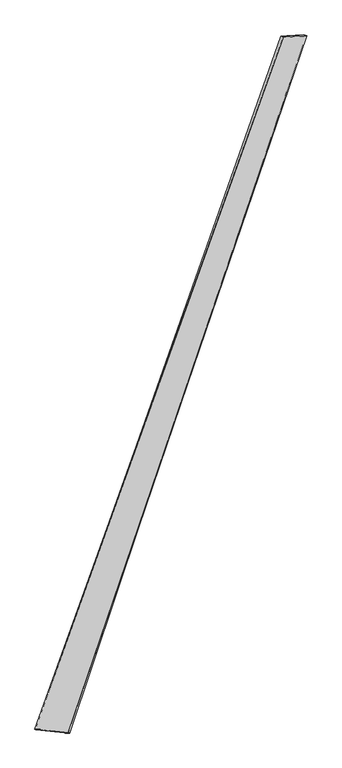
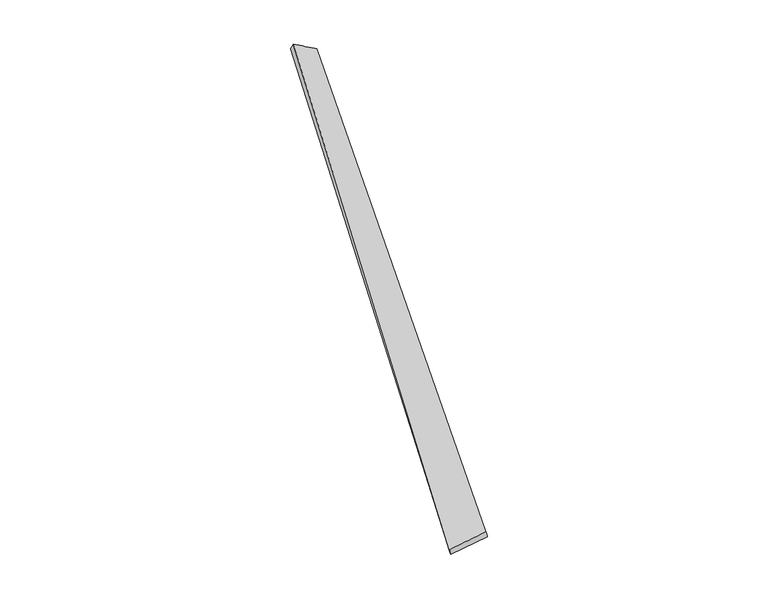
"""IFC4 building model written with IfcOpenShell, lengths in millimetres: proxy geometry."""

from ifc_helpers import new_model, si_unit, origin, place, context, project, spatial, source, transform, mapped, element, save
from ifc_brep_helpers import spline_surface, advanced_brep


def generic_models_9c3963b9(model_context):
    return source(origin(), model_context, "Body", "AdvancedBrep", [
        advanced_brep(
        [(-711.5201867, -1802.5178063, -24.5590343), (-719.1095992, -1800.2876968, 4.3793041), (712.8919816, 2183.7730938, 64.8852086), (700.2569234, 2188.6627625, 38.1186914), (-526.0666023, -1819.7894739, 53.5290939), (848.3238779, 2190.7701207, -14.1987738), (-519.5491756, -1822.4314866, 24.365025), (830.8124388, 2196.2865305, -37.9246821)],
        [
            (0, 1),
            (1, 2),
            (2, 3),
            (3, 0),
            (1, 4),
            (4, 5),
            (5, 2),
            (4, 6),
            (6, 7),
            (7, 5),
            (6, 0),
            (3, 7),
        ],
        [
            spline_surface(1, 1, [[(-711.5201867, -1802.5178063, -24.5590343), (700.2569234, 2188.6627625, 38.1186914)], [(-719.1095992, -1800.2876968, 4.3793041), (712.8919816, 2183.7730938, 64.8852086)]], [2, 2], [2, 2], [0.0, 1.0], [0.0, 1.0]),
            spline_surface(1, 1, [[(-719.1095992, -1800.2876968, 4.3793041), (712.8919816, 2183.7730938, 64.8852086)], [(-526.0666023, -1819.7894739, 53.5290939), (848.3238779, 2190.7701207, -14.1987738)]], [2, 2], [2, 2], [0.0, 1.0], [0.0, 1.0]),
            spline_surface(1, 1, [[(-526.0666023, -1819.7894739, 53.5290939), (848.3238779, 2190.7701207, -14.1987738)], [(-519.5491756, -1822.4314866, 24.365025), (830.8124388, 2196.2865305, -37.9246821)]], [2, 2], [2, 2], [0.0, 1.0], [0.0, 1.0]),
            spline_surface(1, 1, [[(-519.5491756, -1822.4314866, 24.365025), (830.8124388, 2196.2865305, -37.9246821)], [(-711.5201867, -1802.5178063, -24.5590343), (700.2569234, 2188.6627625, 38.1186914)]], [2, 2], [2, 2], [0.0, 1.0], [0.0, 1.0]),
            spline_surface(1, 1, [[(712.8919816, 2183.7730938, 64.8852086), (700.2569234, 2188.6627625, 38.1186914)], [(848.3238779, 2190.7701207, -14.1987738), (830.8124388, 2196.2865305, -37.9246821)]], [2, 2], [2, 2], [0.0, 1.0], [0.0, 1.0]),
            spline_surface(1, 1, [[(-519.5491756, -1822.4314866, 24.365025), (-711.5201867, -1802.5178063, -24.5590343)], [(-526.0666023, -1819.7894739, 53.5290939), (-719.1095992, -1800.2876968, 4.3793041)]], [2, 2], [2, 2], [0.0, 1.0], [0.0, 1.0]),
        ],
        [
            (0, [[1, 2, 3, 4]]),
            (1, [[5, 6, 7, -2]]),
            (2, [[8, 9, 10, -6]]),
            (3, [[11, -4, 12, -9]]),
            (4, [[-3, -7, -10, -12]]),
            (5, [[-11, -8, -5, -1]]),
        ],
    ),
    ])


if __name__ == "__main__":
    model = new_model("IFC4")
    model_context = context("Model", 3, world=origin())
    ifc_project = project(units=[si_unit("LENGTHUNIT", "METRE", prefix="MILLI")], contexts=[model_context])
    site = spatial("IfcSite", under=ifc_project)
    building = spatial("IfcBuilding", under=site)
    placement = place(None, origin())
    generic_models_shape = generic_models_9c3963b9(model_context)
    element("IfcBuildingElementProxy", 1, Name="Generic Models", at=placement, inside=building, context=model_context, shape_type="MappedRepresentation", body=[
        mapped(generic_models_shape, transform((0.0, 0.0, 0.0), x_axis=(1.0, 0.0, 0.0), y_axis=(0.0, 1.0, 0.0), z_axis=(0.0, 0.0, 1.0))),
    ])
    save(model, "model.ifc")
